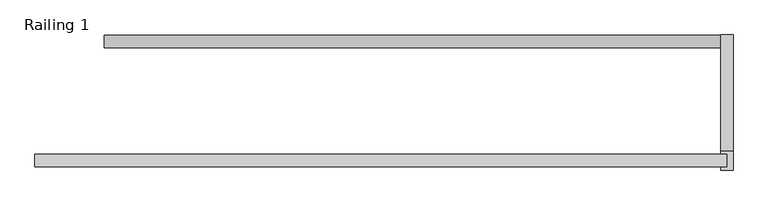
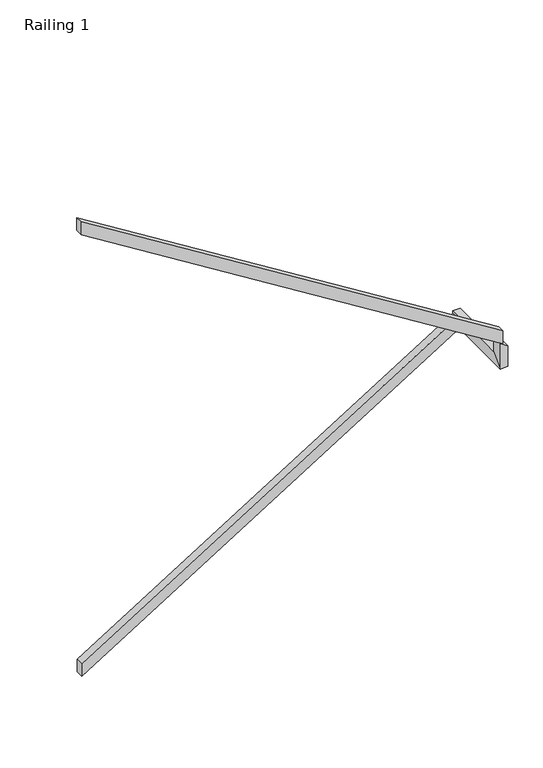
"""IFC4 building model written with IfcOpenShell, lengths in millimetres: railing geometry, Railing 1."""

from ifc_helpers import new_model, si_unit, origin, place, context, project, spatial, faceted_brep, source, transform, mapped, element, save


def railing_1_2a46e2af(model_context):
    return source(origin(), model_context, "Body", "Brep", [
        faceted_brep([(2168.965242, 6920.7646589, 1088.5714286), (2168.965242, 6920.7646589, 998.7782586), (2168.965242, 6869.9646589, 998.7782586), (2168.965242, 6869.9646589, 1088.5714286), (4658.165242, 6920.7646589, 2640.2805195), (4658.165242, 6869.9646589, 2640.2805195), (4658.165242, 6869.9646589, 2550.4873495), (4658.165242, 6920.7646589, 2550.4873495)], [[[0, 1, 2, 3]], [[4, 5, 6, 7]], [[1, 0, 4, 7]], [[2, 1, 7, 6]], [[3, 2, 6, 5]], [[0, 3, 5, 4]]]),
        faceted_brep([(4708.965242, 6920.7646589, 2656.1142857), (4708.965242, 6920.7646589, 2579.9142857), (4658.165242, 6920.7646589, 2579.9142857), (4658.165242, 6920.7646589, 2656.1142857), (4708.965242, 6451.7118192, 2656.1142857), (4708.965242, 6375.5118192, 2579.9142857), (4658.165242, 6375.5118192, 2579.9142857), (4658.165242, 6451.7118192, 2656.1142857), (4708.965242, 6451.7118192, 2724.6587781), (4658.165242, 6451.7118192, 2756.3263105), (4658.165242, 6375.5118192, 2756.3263105), (4708.965242, 6375.5118192, 2724.6587781)], [[[0, 1, 2, 3]], [[1, 0, 4, 5]], [[2, 1, 5, 6]], [[3, 2, 6, 7]], [[0, 3, 7, 4]], [[8, 9, 10, 11]], [[5, 4, 8, 11]], [[6, 5, 11, 10]], [[7, 6, 10, 9]], [[4, 7, 9, 8]]]),
        faceted_brep([(4683.565242, 6388.2118192, 2830.2857143), (4683.565242, 6388.2118192, 2740.4925443), (4683.565242, 6439.0118192, 2740.4925443), (4683.565242, 6439.0118192, 2830.2857143), (1889.565242, 6388.2118192, 4572.0), (1889.565242, 6439.0118192, 4572.0), (1889.565242, 6439.0118192, 4482.20683), (1889.565242, 6388.2118192, 4482.20683)], [[[0, 1, 2, 3]], [[4, 5, 6, 7]], [[1, 0, 4, 7]], [[2, 1, 7, 6]], [[3, 2, 6, 5]], [[0, 3, 5, 4]]]),
    ])


if __name__ == "__main__":
    model = new_model("IFC4")
    model_context = context("Model", 3, world=origin())
    ifc_project = project(units=[si_unit("LENGTHUNIT", "METRE", prefix="MILLI")], contexts=[model_context])
    site = spatial("IfcSite", under=ifc_project)
    building = spatial("IfcBuilding", under=site)
    placement = place(None, origin())
    railing_1_shape = railing_1_2a46e2af(model_context)
    element("IfcRailing", 1, ObjectType="Railing 1", at=placement, inside=building, context=model_context, shape_type="MappedRepresentation", body=[
        mapped(railing_1_shape, transform((0.0, 0.0, 0.0), x_axis=(1.0, 0.0, 0.0), y_axis=(0.0, 1.0, 0.0), z_axis=(0.0, 0.0, 1.0))),
    ])
    save(model, "model.ifc")
